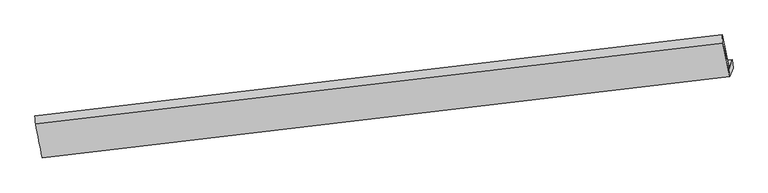
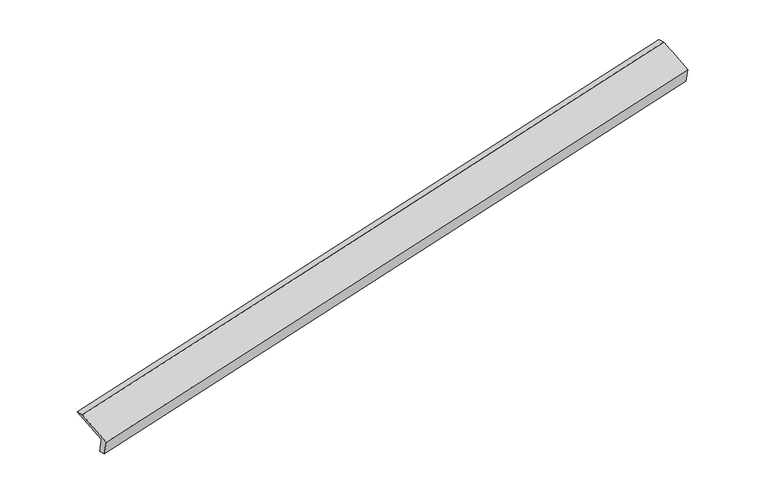
"""IFC4 building model written with IfcOpenShell, lengths in millimetres: proxy geometry."""

from ifc_helpers import new_model, si_unit, frame, origin, place, context, project, spatial, source, transform, mapped, element, save
from ifc_brep_helpers import plane_surface, spline_surface, advanced_brep


def generic_models_2de159f4(model_context):
    return source(origin(), model_context, "Body", "AdvancedBrep", [
        advanced_brep(
        [(-9763.0800373, -2356.3272705, 73.6197572), (-9828.404128, -2536.4694019, 483.9997749), (4143.6404469, -885.9000597, 3424.2710581), (4208.9645376, -705.7579283, 3013.8910405), (-9751.1786943, -2524.7795985, 109.478327), (4221.7634086, -874.1039695, 3049.9391343), (-9815.9044447, -2703.2717061, 516.0994416), (4157.0376583, -1052.5960771, 3456.560249), (-9953.7985497, -2016.2109578, 795.7445891), (4014.3840515, -366.0989565, 3735.200369), (-9966.467324, -1848.5661539, 763.9878338), (4000.8119129, -198.5611305, 3703.2528571)],
        [
            (0, 1),
            (1, 2),
            (2, 3),
            (3, 0),
            (4, 0),
            (3, 5),
            (5, 4),
            (6, 4),
            (5, 7),
            (7, 6),
            (8, 6),
            (7, 9),
            (9, 8),
            (10, 8),
            (9, 11),
            (11, 10),
            (1, 10),
            (11, 2),
        ],
        [
            plane_surface(frame((-9795.7420827, -2446.3983362, 278.8097661), z_axis=(-0.18541731152297913, 0.9103089591247046, 0.37007839645795015), x_axis=(-0.14423099161765682, -0.39774113891967244, 0.9060901762340597))),
            spline_surface(1, 1, [[(-9751.1786943, -2524.7795985, 109.478327), (4221.7634086, -874.1039695, 3049.9391343)], [(-9763.0800373, -2356.3272705, 73.6197572), (4208.9645376, -705.7579283, 3013.8910405)]], [2, 2], [2, 2], [0.0, 1.0], [0.0, 1.0]),
            plane_surface(frame((-9783.5415695, -2614.0256523, 312.7888843), z_axis=(0.18541734366205084, -0.9103089553346042, -0.37007838967836393), x_axis=(0.14423099161758948, 0.3977411389196762, -0.9060901762340687))),
            spline_surface(1, 1, [[(-9953.7985497, -2016.2109578, 795.7445891), (4014.3840515, -366.0989565, 3735.200369)], [(-9815.9044447, -2703.2717061, 516.0994416), (4157.0376583, -1052.5960771, 3456.560249)]], [2, 2], [2, 2], [0.0, 1.0], [0.0, 1.0]),
            spline_surface(1, 1, [[(-9966.467324, -1848.5661539, 763.9878338), (4000.8119129, -198.5611305, 3703.2528571)], [(-9953.7985497, -2016.2109578, 795.7445891), (4014.3840515, -366.0989565, 3735.200369)]], [2, 2], [2, 2], [0.0, 1.0], [0.0, 1.0]),
            spline_surface(1, 1, [[(-9828.404128, -2536.4694019, 483.9997749), (4143.6404469, -885.9000597, 3424.2710581)], [(-9966.467324, -1848.5661539, 763.9878338), (4000.8119129, -198.5611305, 3703.2528571)]], [2, 2], [2, 2], [0.0, 1.0], [0.0, 1.0]),
            plane_surface(frame((4124.4336693, -680.5030203, 3397.1857847), z_axis=(0.9713133945199453, 0.11804985408428276, 0.20643285004286743), x_axis=(0.18907064997811235, -0.909871539483234, -0.36930484826937227))),
            plane_surface(frame((-9846.4721963, -2330.9375148, 457.1549539), z_axis=(-0.9725200738754471, -0.1121419679954555, -0.20403157825052765), x_axis=(0.14423099161766442, 0.3977411389196117, -0.9060901762340852))),
        ],
        [
            (0, [[1, 2, 3, 4]]),
            (1, [[5, -4, 6, 7]]),
            (2, [[8, -7, 9, 10]]),
            (3, [[11, -10, 12, 13]]),
            (4, [[14, -13, 15, 16]]),
            (5, [[17, -16, 18, -2]]),
            (6, [[-12, -9, -6, -3, -18, -15]]),
            (7, [[-1, -5, -8, -11, -14, -17]]),
        ],
    ),
    ])


if __name__ == "__main__":
    model = new_model("IFC4")
    model_context = context("Model", 3, world=origin())
    ifc_project = project(units=[si_unit("LENGTHUNIT", "METRE", prefix="MILLI")], contexts=[model_context])
    site = spatial("IfcSite", under=ifc_project)
    building = spatial("IfcBuilding", under=site)
    placement = place(None, origin())
    generic_models_shape = generic_models_2de159f4(model_context)
    element("IfcBuildingElementProxy", 1, Name="Generic Models", at=placement, inside=building, context=model_context, shape_type="MappedRepresentation", body=[
        mapped(generic_models_shape, transform((0.0, 0.0, 0.0), x_axis=(1.0, 0.0, 0.0), y_axis=(0.0, 1.0, 0.0), z_axis=(0.0, 0.0, 1.0))),
    ])
    save(model, "model.ifc")
